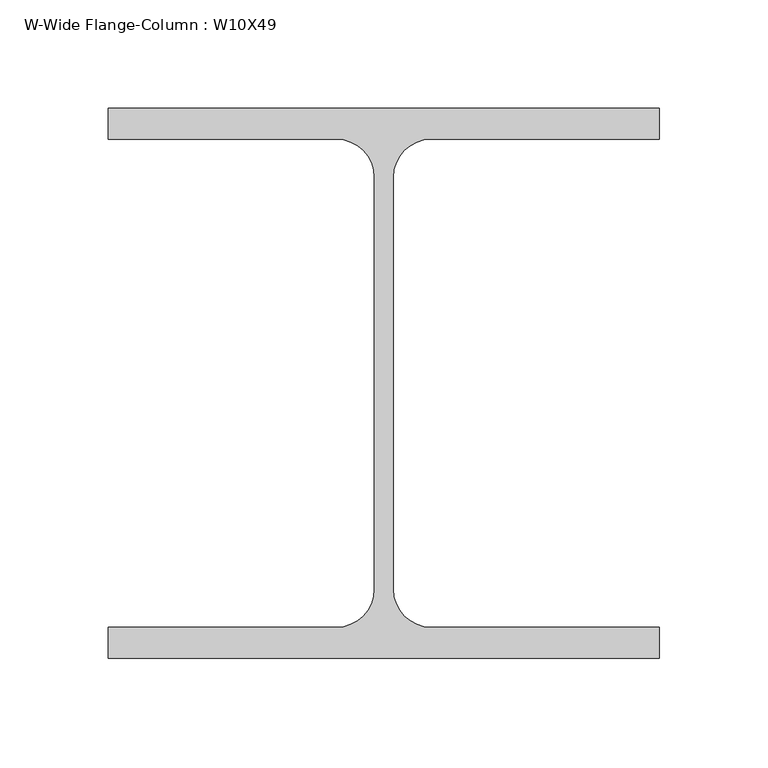
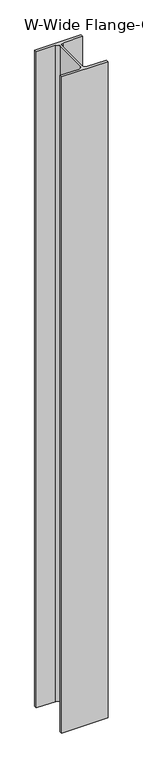
"""IFC4 building model written with IfcOpenShell, lengths in millimetres: column geometry, W-Wide Flange-Column : W10X49."""

from ifc_helpers import new_model, si_unit, point, frame, frame_2d, origin, place, context, project, spatial, polyline, circle_curve, trimmed, segment, composite_curve, outline, extrude, source, transform, mapped, element, save


def w_wide_flange_column_w10x49_23761e62(model_context):
    return source(origin(), model_context, "Body", "SweptSolid", [
        extrude(outline(composite_curve([segment(polyline([(127.0, -126.7519531), (-127.0, -126.7519531), (-127.0, -112.5636719), (-21.8777344, -112.5636719)]), True, "CONTINUOUS"), segment(trimmed(circle_curve(frame_2d((-21.8777344, -95.0019531)), 17.5617188), [point((-21.8777344, -112.5636719))], [point((-4.3160156, -95.0019531))], True, "CARTESIAN"), True, "CONTINUOUS"), segment(polyline([(-4.3160156, -95.0019531), (-4.3160156, 95.0019531)]), True, "CONTINUOUS"), segment(trimmed(circle_curve(frame_2d((-21.8777344, 95.0019531)), 17.5617188), [point((-4.3160156, 95.0019531))], [point((-21.8777344, 112.5636719))], True, "CARTESIAN"), True, "CONTINUOUS"), segment(polyline([(-21.8777344, 112.5636719), (-127.0, 112.5636719), (-127.0, 126.7519531), (127.0, 126.7519531), (127.0, 112.5636719), (21.8777344, 112.5636719)]), True, "CONTINUOUS"), segment(trimmed(circle_curve(frame_2d((21.8777344, 95.0019531)), 17.5617187), [point((21.8777344, 112.5636719))], [point((4.3160156, 95.0019531))], True, "CARTESIAN"), True, "CONTINUOUS"), segment(polyline([(4.3160156, 95.0019531), (4.3160156, -95.0019531)]), True, "CONTINUOUS"), segment(trimmed(circle_curve(frame_2d((21.8777344, -95.0019531)), 17.5617187), [point((4.3160156, -95.0019531))], [point((21.8777344, -112.5636719))], True, "CARTESIAN"), True, "CONTINUOUS"), segment(polyline([(21.8777344, -112.5636719), (127.0, -112.5636719), (127.0, -126.7519531)]), True, "CONTINUOUS")], self_intersect=False)), frame((0.0, 0.0, 7493.0), z_axis=(0.0, 0.0, 1.0), x_axis=(1.0, 0.0, 0.0)), (0.0, 0.0, 1.0), 3784.6),
    ])


if __name__ == "__main__":
    model = new_model("IFC4")
    model_context = context("Model", 3, world=origin())
    ifc_project = project(units=[si_unit("LENGTHUNIT", "METRE", prefix="MILLI")], contexts=[model_context])
    site = spatial("IfcSite", under=ifc_project)
    building = spatial("IfcBuilding", under=site)
    placement = place(None, origin())
    w_wide_flange_column_w10x49_shape = w_wide_flange_column_w10x49_23761e62(model_context)
    element("IfcColumn", 1, ObjectType="W-Wide Flange-Column : W10X49", at=placement, inside=building, context=model_context, shape_type="MappedRepresentation", body=[
        mapped(w_wide_flange_column_w10x49_shape, transform((0.0, 0.0, 0.0), x_axis=(1.0, 0.0, 0.0), y_axis=(0.0, 1.0, 0.0), z_axis=(0.0, 0.0, 1.0))),
    ])
    save(model, "model.ifc")
